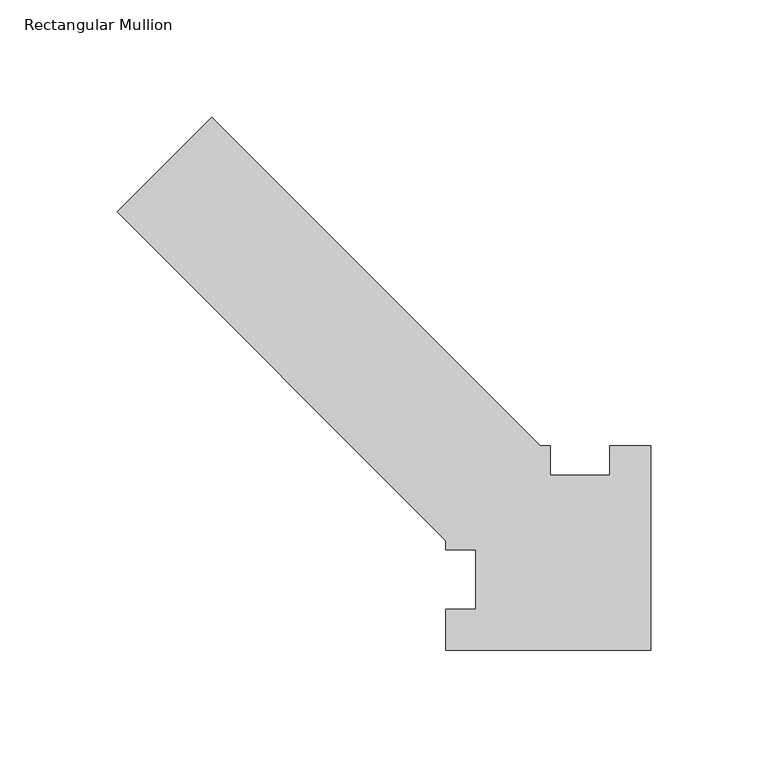
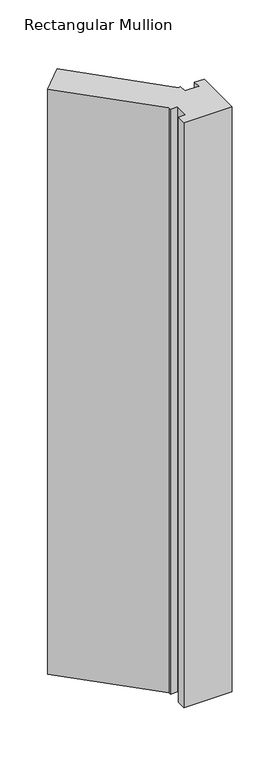
"""IFC4 building model written with IfcOpenShell, lengths in millimetres: member geometry, Rectangular Mullion."""

from ifc_helpers import new_model, si_unit, frame, origin, place, context, project, spatial, polyline, outline, extrude, source, transform, mapped, element, save


def rectangular_mullion_79d2f3b2(model_context):
    return source(origin(), model_context, "Body", "SweptSolid", [
        extrude(outline(polyline([(-17.4625, 58.7375), (0.0, 58.7375), (0.0, -28.575), (-87.3125, -28.575), (-87.3125, -11.1125), (-74.6125, -11.1125), (-74.6125, 14.2875), (-87.3125, 14.2875), (-87.3125, 18.2221177), (-227.4807452, 158.3903629), (-187.0695926, 198.8015154), (-47.0055772, 58.7375), (-42.8625, 58.7375), (-42.8625, 46.0375), (-17.4625, 46.0375), (-17.4625, 58.7375)])), frame((0.0, 0.0, -1123.95), z_axis=(0.0, 0.0, 1.0), x_axis=(1.0, 0.0, 0.0)), (0.0, 0.0, 1.0), 1123.95),
    ])


if __name__ == "__main__":
    model = new_model("IFC4")
    model_context = context("Model", 3, world=origin())
    ifc_project = project(units=[si_unit("LENGTHUNIT", "METRE", prefix="MILLI")], contexts=[model_context])
    site = spatial("IfcSite", under=ifc_project)
    building = spatial("IfcBuilding", under=site)
    placement = place(None, origin())
    rectangular_mullion_shape = rectangular_mullion_79d2f3b2(model_context)
    element("IfcMember", 1, ObjectType="Rectangular Mullion", at=placement, inside=building, context=model_context, shape_type="MappedRepresentation", body=[
        mapped(rectangular_mullion_shape, transform((0.0, 0.0, 0.0), x_axis=(1.0, 0.0, 0.0), y_axis=(0.0, 1.0, 0.0), z_axis=(0.0, 0.0, 1.0))),
    ])
    save(model, "model.ifc")
